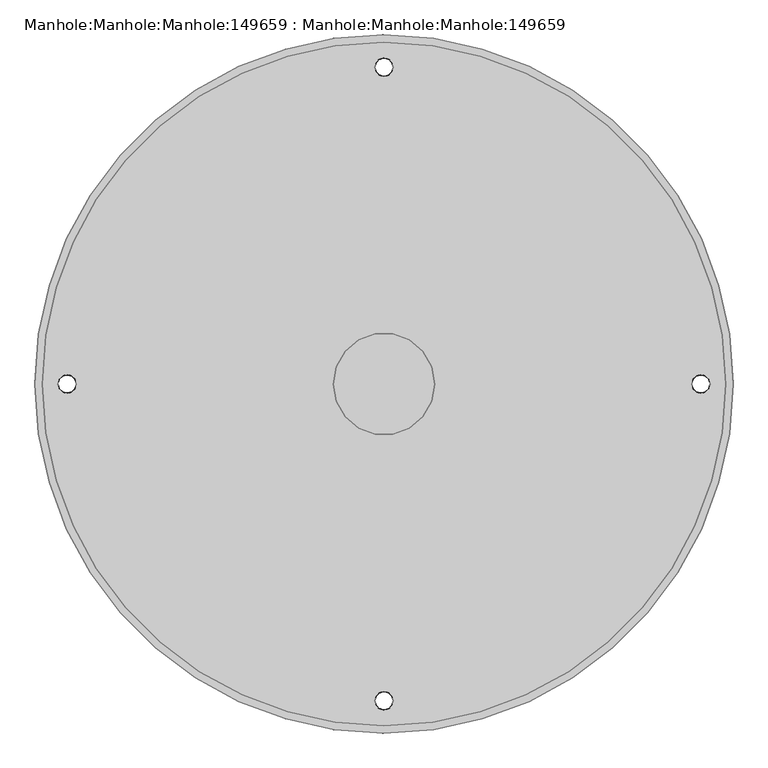
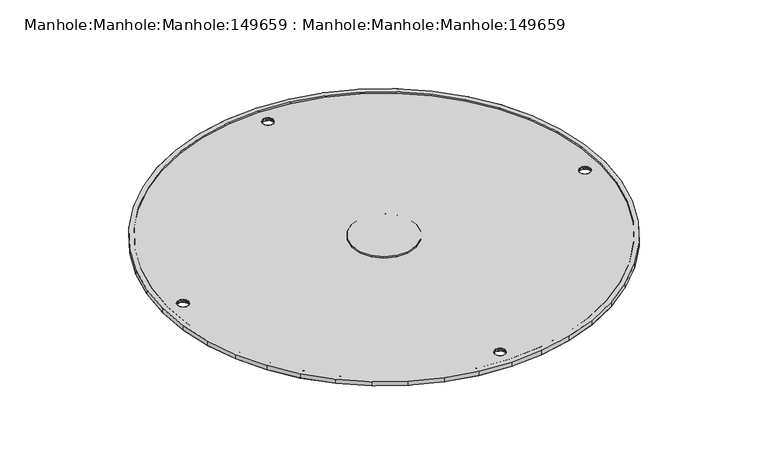
"""IFC4 building model written with IfcOpenShell, lengths in millimetres: proxy geometry, Manhole:Manhole:Manhole:149659 : Manhole:Manhole:Manhole:149659."""

from ifc_helpers import new_model, si_unit, origin, place, context, project, spatial, triangles, source, transform, mapped, element, save


def manhole_manhole_manhole_149659_manhole_manhole_manhole_e36a7c2d(model_context):
    return source(origin(), model_context, "Body", "Tessellation", [
        triangles([(-95945.9947266, 54192.9944458, 238508.344043), (-95952.198999, 54279.7519409, 238508.344043), (-95970.6908936, 54364.7421021, 238508.344043), (-96001.0797363, 54446.2348022, 238508.344043), (-96042.7702148, 54522.5696777, 238508.344043), (-96094.8879639, 54592.1979858, 238508.344043), (-96156.3911865, 54653.7012085, 238508.344043), (-96226.0241455, 54705.8236084, 238508.344043), (-96302.3543701, 54747.509436, 238508.344043), (-96383.8470703, 54777.9029297, 238508.344043), (-96468.8372314, 54796.3901733, 238508.344043), (-96555.5947266, 54802.5944458, 238508.344043), (-96642.3522217, 54796.3901733, 238508.344043), (-96727.3423828, 54777.9029297, 238508.344043), (-96808.835083, 54747.509436, 238508.344043), (-96885.1653076, 54705.8236084, 238508.344043), (-96954.7982666, 54653.7012085, 238508.344043), (-97016.3014893, 54592.1979858, 238508.344043), (-97068.4192383, 54522.5696777, 238508.344043), (-97110.1097168, 54446.2348022, 238508.344043), (-97140.4985596, 54364.7421021, 238508.344043), (-97158.9904541, 54279.7519409, 238508.344043), (-97165.1947266, 54192.9944458, 238508.344043), (-97158.9904541, 54106.2416016, 238508.344043), (-97140.4985596, 54021.2514404, 238508.344043), (-97110.1097168, 53939.7587402, 238508.344043), (-97068.4192383, 53863.4192139, 238508.344043), (-97016.3014893, 53793.7909058, 238508.344043), (-96954.7982666, 53732.292334, 238508.344043), (-96885.1653076, 53680.1699341, 238508.344043), (-96808.835083, 53638.4841064, 238508.344043), (-96727.3423828, 53608.0906128, 238508.344043), (-96642.3522217, 53589.5987183, 238508.344043), (-96555.5947266, 53583.3944458, 238508.344043), (-96468.8372314, 53589.5987183, 238508.344043), (-96383.8470703, 53608.0906128, 238508.344043), (-96302.3543701, 53638.4841064, 238508.344043), (-96226.0241455, 53680.1699341, 238508.344043), (-96156.3911865, 53732.292334, 238508.344043), (-96094.8879639, 53793.7909058, 238508.344043), (-96042.7702148, 53863.4192139, 238508.344043), (-96001.0797363, 53939.7587402, 238508.344043), (-95970.6908936, 54021.2514404, 238508.344043), (-95952.198999, 54106.2416016, 238508.344043), (-97152.4978271, 54192.9944458, 238508.344043), (-97146.4237793, 54277.942749, 238508.344043), (-97128.3132568, 54361.1609253, 238508.344043), (-97098.5569336, 54440.9560547, 238508.344043), (-97057.7408203, 54515.7049805, 238508.344043), (-97006.7020752, 54583.8822144, 238508.344043), (-96946.4824951, 54644.1017944, 238508.344043), (-96878.3006104, 54695.1405396, 238508.344043), (-96803.5516846, 54735.9566528, 238508.344043), (-96723.7612061, 54765.717627, 238508.344043), (-96640.5383789, 54783.8188477, 238508.344043), (-96555.5947266, 54789.8975464, 238508.344043), (-96470.6510742, 54783.8188477, 238508.344043), (-96387.4282471, 54765.717627, 238508.344043), (-96307.6377686, 54735.9566528, 238508.344043), (-96232.8888428, 54695.1405396, 238508.344043), (-96164.706958, 54644.1017944, 238508.344043), (-96104.4873779, 54583.8822144, 238508.344043), (-96053.4486328, 54515.7049805, 238508.344043), (-96012.6325195, 54440.9560547, 238508.344043), (-95982.8761963, 54361.1609253, 238508.344043), (-95964.7749756, 54277.942749, 238508.344043), (-95958.691626, 54192.9944458, 238508.344043), (-95964.7749756, 54108.0461426, 238508.344043), (-95982.8761963, 54024.8279663, 238508.344043), (-96012.6325195, 53945.0328369, 238508.344043), (-96053.4486328, 53870.288562, 238508.344043), (-96104.4873779, 53802.1113281, 238508.344043), (-96164.706958, 53741.8870972, 238508.344043), (-96232.8888428, 53690.8530029, 238508.344043), (-96307.6377686, 53650.0368896, 238508.344043), (-96387.4282471, 53620.2759155, 238508.344043), (-96470.6510742, 53602.1700439, 238508.344043), (-96555.5947266, 53596.0959961, 238508.344043), (-96640.5383789, 53602.1700439, 238508.344043), (-96723.7612061, 53620.2759155, 238508.344043), (-96803.5516846, 53650.0368896, 238508.344043), (-96878.3006104, 53690.8530029, 238508.344043), (-96946.4824951, 53741.8870972, 238508.344043), (-97006.7020752, 53802.1113281, 238508.344043), (-97057.7408203, 53870.288562, 238508.344043), (-97098.5569336, 53945.0328369, 238508.344043), (-97128.3132568, 54024.8279663, 238508.344043), (-97146.4237793, 54108.0461426, 238508.344043), (-96644.491626, 54192.9944458, 238508.344043), (-96639.1338135, 54162.5916504, 238508.344043), (-96623.6928955, 54135.8537476, 238508.344043), (-96600.0478271, 54116.0084473, 238508.344043), (-96571.0356445, 54105.4463013, 238508.344043), (-96540.1538086, 54105.4463013, 238508.344043), (-96511.141626, 54116.0084473, 238508.344043), (-96487.4965576, 54135.8537476, 238508.344043), (-96472.0556396, 54162.5916504, 238508.344043), (-96466.6978271, 54192.9944458, 238508.344043), (-96472.0556396, 54223.4018921, 238508.344043), (-96487.4965576, 54250.1397949, 238508.344043), (-96511.141626, 54269.9850952, 238508.344043), (-96540.1538086, 54280.5472412, 238508.344043), (-96571.0356445, 54280.5472412, 238508.344043), (-96600.0478271, 54269.9850952, 238508.344043), (-96623.6928955, 54250.1397949, 238508.344043), (-96639.1338135, 54223.4018921, 238508.344043), (-95945.9947266, 54192.9944458, 238495.6564453), (-95952.198999, 54106.2416016, 238495.6564453), (-95970.6908936, 54021.2514404, 238495.6564453), (-96001.0797363, 53939.7587402, 238495.6564453), (-96042.7702148, 53863.4192139, 238495.6564453), (-96094.8879639, 53793.7909058, 238495.6564453), (-96156.3911865, 53732.292334, 238495.6564453), (-96226.0241455, 53680.1699341, 238495.6564453), (-96302.3543701, 53638.4841064, 238495.6564453), (-96383.8470703, 53608.0906128, 238495.6564453), (-96468.8372314, 53589.5987183, 238495.6564453), (-96555.5947266, 53583.3944458, 238495.6564453), (-96642.3522217, 53589.5987183, 238495.6564453), (-96727.3423828, 53608.0906128, 238495.6564453), (-96808.835083, 53638.4841064, 238495.6564453), (-96885.1653076, 53680.1699341, 238495.6564453), (-96954.7982666, 53732.292334, 238495.6564453), (-97016.3014893, 53793.7909058, 238495.6564453), (-97068.4192383, 53863.4192139, 238495.6564453), (-97110.1097168, 53939.7587402, 238495.6564453), (-97140.4985596, 54021.2514404, 238495.6564453), (-97158.9904541, 54106.2416016, 238495.6564453), (-97165.1947266, 54192.9944458, 238495.6564453), (-97158.9904541, 54279.7519409, 238495.6564453), (-97140.4985596, 54364.7421021, 238495.6564453), (-97110.1097168, 54446.2348022, 238495.6564453), (-97068.4192383, 54522.5696777, 238495.6564453), (-97016.3014893, 54592.1979858, 238495.6564453), (-96954.7982666, 54653.7012085, 238495.6564453), (-96885.1653076, 54705.8236084, 238495.6564453), (-96808.835083, 54747.509436, 238495.6564453), (-96727.3423828, 54777.9029297, 238495.6564453), (-96642.3522217, 54796.3901733, 238495.6564453), (-96555.5947266, 54802.5944458, 238495.6564453), (-96468.8372314, 54796.3901733, 238495.6564453), (-96383.8470703, 54777.9029297, 238495.6564453), (-96302.3543701, 54747.509436, 238495.6564453), (-96226.0241455, 54705.8236084, 238495.6564453), (-96156.3911865, 54653.7012085, 238495.6564453), (-96094.8879639, 54592.1979858, 238495.6564453), (-96042.7702148, 54522.5696777, 238495.6564453), (-96001.0797363, 54446.2348022, 238495.6564453), (-95970.6908936, 54364.7421021, 238495.6564453), (-95952.198999, 54279.7519409, 238495.6564453), (-96539.5864014, 53639.6468262, 238495.6564453), (-96541.1677002, 53646.5952393, 238495.6564453), (-96545.6139404, 53652.1669922, 238495.6564453), (-96552.0321533, 53655.2598267, 238495.6564453), (-96559.1572998, 53655.2598267, 238495.6564453), (-96565.5755127, 53652.1669922, 238495.6564453), (-96570.0217529, 53646.5952393, 238495.6564453), (-96571.6030518, 53639.6468262, 238495.6564453), (-96570.0217529, 53632.703064, 238495.6564453), (-96565.5755127, 53627.131311, 238495.6564453), (-96559.1572998, 53624.0384766, 238495.6564453), (-96552.0321533, 53624.0384766, 238495.6564453), (-96545.6139404, 53627.131311, 238495.6564453), (-96541.1677002, 53632.703064, 238495.6564453), (-96539.5864014, 54746.3420654, 238495.6564453), (-96541.1677002, 54753.2904785, 238495.6564453), (-96545.6139404, 54758.8622314, 238495.6564453), (-96552.0321533, 54761.950415, 238495.6564453), (-96559.1572998, 54761.950415, 238495.6564453), (-96565.5755127, 54758.8622314, 238495.6564453), (-96570.0217529, 54753.2904785, 238495.6564453), (-96571.6030518, 54746.3420654, 238495.6564453), (-96570.0217529, 54739.3936523, 238495.6564453), (-96565.5755127, 54733.8265503, 238495.6564453), (-96559.1572998, 54730.7337158, 238495.6564453), (-96552.0321533, 54730.7337158, 238495.6564453), (-96545.6139404, 54733.8265503, 238495.6564453), (-96541.1677002, 54739.3936523, 238495.6564453), (-97092.9293701, 54192.9944458, 238495.6564453), (-97094.5199707, 54199.9428589, 238495.6564453), (-97098.9569092, 54205.5146118, 238495.6564453), (-97105.3751221, 54208.6027954, 238495.6564453), (-97112.5002686, 54208.6027954, 238495.6564453), (-97118.9277832, 54205.5146118, 238495.6564453), (-97123.3647217, 54199.9428589, 238495.6564453), (-97124.9553223, 54192.9944458, 238495.6564453), (-97123.3647217, 54186.0506836, 238495.6564453), (-97118.9277832, 54180.4789307, 238495.6564453), (-97112.5002686, 54177.3860962, 238495.6564453), (-97105.3751221, 54177.3860962, 238495.6564453), (-97098.9569092, 54180.4789307, 238495.6564453), (-97094.5199707, 54186.0506836, 238495.6564453), (-96018.260083, 54192.9944458, 238495.6564453), (-96016.6694824, 54186.0506836, 238495.6564453), (-96012.2325439, 54180.4789307, 238495.6564453), (-96005.8143311, 54177.3860962, 238495.6564453), (-95998.6891846, 54177.3860962, 238495.6564453), (-95992.2616699, 54180.4789307, 238495.6564453), (-95987.8247314, 54186.0506836, 238495.6564453), (-95986.2341309, 54192.9944458, 238495.6564453), (-95987.8247314, 54199.9428589, 238495.6564453), (-95992.2616699, 54205.5146118, 238495.6564453), (-95998.6891846, 54208.6027954, 238495.6564453), (-96005.8143311, 54208.6027954, 238495.6564453), (-96012.2325439, 54205.5146118, 238495.6564453), (-96016.6694824, 54199.9428589, 238495.6564453), (-96570.5333496, 53643.6512329, 238503.581543), (-96569.4636475, 53647.6556396, 238503.581543), (-96544.6558594, 53650.5856934, 238503.581543), (-96543.3908203, 53649.3811157, 238495.6564453), (-96567.7986328, 53649.3811157, 238495.6564453), (-96570.8124023, 53643.1210327, 238495.6564453), (-96571.6030518, 53639.6468262, 238503.581543), (-96540.6561035, 53643.6512329, 238503.581543), (-96540.3770508, 53643.1210327, 238495.6564453), (-96539.5864014, 53639.6468262, 238503.581543), (-96563.60354, 53653.5157471, 238503.581543), (-96566.5335938, 53650.5856934, 238503.581543), (-96555.5947266, 53655.6598022, 238503.581543), (-96555.5947266, 53655.2598267, 238495.6564453), (-96548.8230469, 53653.711084, 238495.6564453), (-96547.5859131, 53653.5157471, 238503.581543), (-96551.5949707, 53654.5854492, 238503.581543), (-96559.5944824, 53654.5854492, 238503.581543), (-96562.3664063, 53653.711084, 238495.6564453), (-96541.7258057, 53647.6556396, 238503.581543), (-96541.7258057, 53631.6426636, 238503.581543), (-96540.6561035, 53635.6470703, 238503.581543), (-96567.7986328, 53629.9171875, 238495.6564453), (-96566.5335938, 53628.7126099, 238503.581543), (-96543.3908203, 53629.9171875, 238495.6564453), (-96540.3770508, 53636.1772705, 238495.6564453), (-96570.8124023, 53636.1772705, 238495.6564453), (-96570.5333496, 53635.6470703, 238503.581543), (-96544.6558594, 53628.7126099, 238503.581543), (-96547.5859131, 53625.7825562, 238503.581543), (-96555.5947266, 53624.0384766, 238495.6564453), (-96555.5947266, 53623.638501, 238503.581543), (-96563.60354, 53625.7825562, 238503.581543), (-96562.3664063, 53625.5872192, 238495.6564453), (-96559.5944824, 53624.712854, 238503.581543), (-96551.5949707, 53624.712854, 238503.581543), (-96548.8230469, 53625.5872192, 238495.6564453), (-96569.4636475, 53631.6426636, 238503.581543), (-96569.4636475, 54754.346228, 238503.581543), (-96570.5333496, 54750.3464722, 238503.581543), (-96543.3908203, 54756.076355, 238495.6564453), (-96544.6558594, 54757.2762817, 238503.581543), (-96567.7986328, 54756.076355, 238495.6564453), (-96571.6030518, 54746.3420654, 238503.581543), (-96570.8124023, 54749.816272, 238495.6564453), (-96539.5864014, 54746.3420654, 238503.581543), (-96540.3770508, 54749.816272, 238495.6564453), (-96540.6561035, 54750.3464722, 238503.581543), (-96566.5335938, 54757.2762817, 238503.581543), (-96563.60354, 54760.2063354, 238503.581543), (-96555.5947266, 54761.950415, 238495.6564453), (-96555.5947266, 54762.3550415, 238503.581543), (-96547.5859131, 54760.2063354, 238503.581543), (-96548.8230469, 54760.4063232, 238495.6564453), (-96551.5949707, 54761.2806885, 238503.581543), (-96559.5944824, 54761.2806885, 238503.581543), (-96562.3664063, 54760.4063232, 238495.6564453), (-96541.7258057, 54754.346228, 238503.581543), (-96540.6561035, 54742.3376587, 238503.581543), (-96541.7258057, 54738.3379028, 238503.581543), (-96566.5335938, 54735.4078491, 238503.581543), (-96567.7986328, 54736.6124268, 238495.6564453), (-96543.3908203, 54736.6124268, 238495.6564453), (-96540.3770508, 54742.8678589, 238495.6564453), (-96570.5333496, 54742.3376587, 238503.581543), (-96570.8124023, 54742.8678589, 238495.6564453), (-96547.5859131, 54732.4777954, 238503.581543), (-96544.6558594, 54735.4078491, 238503.581543), (-96555.5947266, 54730.3337402, 238503.581543), (-96555.5947266, 54730.7337158, 238495.6564453), (-96562.3664063, 54732.2778076, 238495.6564453), (-96563.60354, 54732.4777954, 238503.581543), (-96559.5944824, 54731.4034424, 238503.581543), (-96551.5949707, 54731.4034424, 238503.581543), (-96548.8230469, 54732.2778076, 238495.6564453), (-96569.4636475, 54738.3379028, 238503.581543), (-97122.8066162, 54201.0032593, 238503.581543), (-97123.8763184, 54196.9988525, 238503.581543), (-97098.0081299, 54203.933313, 238503.581543), (-97096.7337891, 54202.7287354, 238495.6564453), (-97121.1416016, 54202.7287354, 238495.6564453), (-97124.9553223, 54192.9944458, 238503.581543), (-97124.1553711, 54196.4686523, 238495.6564453), (-97093.9990723, 54196.9988525, 238503.581543), (-97093.7200195, 54196.4686523, 238495.6564453), (-97092.9293701, 54192.9944458, 238503.581543), (-97119.8765625, 54203.933313, 238503.581543), (-97116.9465088, 54206.8633667, 238503.581543), (-97108.9376953, 54208.6027954, 238495.6564453), (-97108.9376953, 54209.0074219, 238503.581543), (-97102.1660156, 54207.0587036, 238495.6564453), (-97100.9381836, 54206.8633667, 238503.581543), (-97104.9379395, 54207.9330688, 238503.581543), (-97112.9467529, 54207.9330688, 238503.581543), (-97115.7186768, 54207.0587036, 238495.6564453), (-97095.0780762, 54201.0032593, 238503.581543), (-97093.9990723, 54188.9946899, 238503.581543), (-97095.0780762, 54184.9902832, 238503.581543), (-97121.1416016, 54183.2648071, 238495.6564453), (-97119.8765625, 54182.0602295, 238503.581543), (-97096.7337891, 54183.2648071, 238495.6564453), (-97093.7200195, 54189.5202393, 238495.6564453), (-97124.1553711, 54189.5202393, 238495.6564453), (-97123.8763184, 54188.9946899, 238503.581543), (-97100.9381836, 54179.1301758, 238503.581543), (-97098.0081299, 54182.0602295, 238503.581543), (-97108.9376953, 54177.3860962, 238495.6564453), (-97108.9376953, 54176.9861206, 238503.581543), (-97116.9465088, 54179.1301758, 238503.581543), (-97115.7186768, 54178.930188, 238495.6564453), (-97112.9467529, 54178.0558228, 238503.581543), (-97104.9379395, 54178.0558228, 238503.581543), (-97102.1660156, 54178.930188, 238495.6564453), (-97122.8066162, 54184.9902832, 238503.581543), (-95988.3828369, 54184.9902832, 238503.581543), (-95987.3131348, 54188.9946899, 238503.581543), (-96013.1813232, 54182.0602295, 238503.581543), (-96014.4556641, 54183.2648071, 238495.6564453), (-95990.0478516, 54183.2648071, 238495.6564453), (-95986.2341309, 54192.9944458, 238503.581543), (-95987.034082, 54189.5202393, 238495.6564453), (-96017.1903809, 54188.9946899, 238503.581543), (-96017.4694336, 54189.5202393, 238495.6564453), (-96018.260083, 54192.9944458, 238503.581543), (-95991.3128906, 54182.0602295, 238503.581543), (-95994.2429443, 54179.1301758, 238503.581543), (-96002.2517578, 54177.3860962, 238495.6564453), (-96002.2517578, 54176.9861206, 238503.581543), (-96009.0234375, 54178.930188, 238495.6564453), (-96010.2512695, 54179.1301758, 238503.581543), (-96006.2515137, 54178.0558228, 238503.581543), (-95998.2427002, 54178.0558228, 238503.581543), (-95995.4800781, 54178.930188, 238495.6564453), (-96016.111377, 54184.9902832, 238503.581543), (-96017.1903809, 54196.9988525, 238503.581543), (-96016.111377, 54201.0032593, 238503.581543), (-95990.0478516, 54202.7287354, 238495.6564453), (-95991.3128906, 54203.933313, 238503.581543), (-96014.4556641, 54202.7287354, 238495.6564453), (-96017.4694336, 54196.4686523, 238495.6564453), (-95987.034082, 54196.4686523, 238495.6564453), (-95987.3131348, 54196.9988525, 238503.581543), (-96010.2512695, 54206.8633667, 238503.581543), (-96013.1813232, 54203.933313, 238503.581543), (-96002.2517578, 54208.6027954, 238495.6564453), (-96002.2517578, 54209.0074219, 238503.581543), (-95994.2429443, 54206.8633667, 238503.581543), (-95995.4800781, 54207.0587036, 238495.6564453), (-95998.2427002, 54207.9330688, 238503.581543), (-96006.2515137, 54207.9330688, 238503.581543), (-96009.0234375, 54207.0587036, 238495.6564453), (-95988.3828369, 54201.0032593, 238503.581543), (-95958.691626, 54192.9944458, 238503.581543), (-95964.7749756, 54277.942749, 238503.581543), (-95982.8761963, 54361.1609253, 238503.581543), (-96012.6325195, 54440.9560547, 238503.581543), (-96053.4486328, 54515.7049805, 238503.581543), (-96104.4873779, 54583.8822144, 238503.581543), (-96164.706958, 54644.1017944, 238503.581543), (-96232.8888428, 54695.1405396, 238503.581543), (-96307.6377686, 54735.9566528, 238503.581543), (-96387.4282471, 54765.717627, 238503.581543), (-96470.6510742, 54783.8188477, 238503.581543), (-96555.5947266, 54789.8975464, 238503.581543), (-96640.5383789, 54783.8188477, 238503.581543), (-96723.7612061, 54765.717627, 238503.581543), (-96803.5516846, 54735.9566528, 238503.581543), (-96878.3006104, 54695.1405396, 238503.581543), (-96946.4824951, 54644.1017944, 238503.581543), (-97006.7020752, 54583.8822144, 238503.581543), (-97057.7408203, 54515.7049805, 238503.581543), (-97098.5569336, 54440.9560547, 238503.581543), (-97128.3132568, 54361.1609253, 238503.581543), (-97146.4237793, 54277.942749, 238503.581543), (-97152.4978271, 54192.9944458, 238503.581543), (-97146.4237793, 54108.0461426, 238503.581543), (-97128.3132568, 54024.8279663, 238503.581543), (-97098.5569336, 53945.0328369, 238503.581543), (-97057.7408203, 53870.288562, 238503.581543), (-97006.7020752, 53802.1113281, 238503.581543), (-96946.4824951, 53741.8870972, 238503.581543), (-96878.3006104, 53690.8530029, 238503.581543), (-96803.5516846, 53650.0368896, 238503.581543), (-96723.7612061, 53620.2759155, 238503.581543), (-96640.5383789, 53602.1700439, 238503.581543), (-96555.5947266, 53596.0959961, 238503.581543), (-96470.6510742, 53602.1700439, 238503.581543), (-96387.4282471, 53620.2759155, 238503.581543), (-96307.6377686, 53650.0368896, 238503.581543), (-96232.8888428, 53690.8530029, 238503.581543), (-96164.706958, 53741.8870972, 238503.581543), (-96104.4873779, 53802.1113281, 238503.581543), (-96053.4486328, 53870.288562, 238503.581543), (-96012.6325195, 53945.0328369, 238503.581543), (-95982.8761963, 54024.8279663, 238503.581543), (-95964.7749756, 54108.0461426, 238503.581543), (-96466.6978271, 54192.9944458, 238503.581543), (-96472.0556396, 54162.5916504, 238503.581543), (-96487.4965576, 54135.8537476, 238503.581543), (-96511.141626, 54116.0084473, 238503.581543), (-96540.1538086, 54105.4463013, 238503.581543), (-96571.0356445, 54105.4463013, 238503.581543), (-96600.0478271, 54116.0084473, 238503.581543), (-96623.6928955, 54135.8537476, 238503.581543), (-96639.1338135, 54162.5916504, 238503.581543), (-96644.491626, 54192.9944458, 238503.581543), (-96639.1338135, 54223.4018921, 238503.581543), (-96623.6928955, 54250.1397949, 238503.581543), (-96600.0478271, 54269.9850952, 238503.581543), (-96571.0356445, 54280.5472412, 238503.581543), (-96540.1538086, 54280.5472412, 238503.581543), (-96511.141626, 54269.9850952, 238503.581543), (-96487.4965576, 54250.1397949, 238503.581543), (-96472.0556396, 54223.4018921, 238503.581543)], [[38, 74, 75], [74, 38, 39], [39, 40, 73], [39, 73, 74], [35, 36, 77], [77, 36, 76], [35, 77, 78], [76, 37, 75], [37, 76, 36], [75, 37, 38], [73, 40, 72], [43, 44, 68], [44, 67, 68], [67, 44, 1], [67, 1, 66], [43, 68, 69], [72, 41, 71], [41, 72, 40], [71, 41, 42], [42, 69, 70], [69, 42, 43], [42, 70, 71], [33, 34, 79], [79, 80, 33], [78, 79, 34], [34, 35, 78], [33, 80, 32], [32, 81, 31], [81, 32, 80], [31, 81, 82], [29, 30, 83], [82, 30, 31], [82, 83, 30], [84, 29, 83], [29, 84, 28], [85, 27, 28], [27, 85, 86], [85, 28, 84], [25, 26, 87], [86, 26, 27], [87, 26, 86], [88, 24, 25], [24, 88, 45], [88, 25, 87], [66, 2, 65], [2, 66, 1], [64, 65, 3], [3, 65, 2], [64, 3, 4], [4, 63, 64], [63, 4, 5], [63, 5, 62], [62, 6, 61], [6, 62, 5], [61, 6, 7], [60, 7, 8], [8, 9, 59], [59, 9, 58], [8, 59, 60], [58, 10, 57], [10, 58, 9], [57, 10, 11], [56, 11, 12], [11, 56, 57], [56, 12, 55], [60, 61, 7], [48, 20, 21], [20, 48, 19], [19, 49, 18], [18, 49, 50], [49, 19, 48], [45, 46, 23], [23, 46, 22], [45, 23, 24], [22, 47, 21], [47, 22, 46], [21, 47, 48], [53, 54, 14], [13, 14, 54], [13, 55, 12], [13, 54, 55], [53, 14, 15], [50, 17, 18], [50, 51, 17], [17, 51, 16], [52, 15, 16], [15, 52, 53], [52, 16, 51], [104, 105, 106], [106, 89, 104], [101, 104, 98], [103, 104, 102], [101, 99, 100], [102, 104, 101], [101, 98, 99], [98, 104, 89], [90, 91, 93], [92, 93, 91], [95, 89, 93], [97, 98, 95], [97, 95, 96], [89, 95, 98], [93, 94, 95], [93, 89, 90], [148, 206, 147], [149, 205, 148], [150, 203, 204], [203, 150, 202], [149, 150, 205], [146, 147, 206], [142, 143, 177], [143, 144, 177], [176, 145, 146], [144, 145, 176], [178, 141, 142], [204, 205, 150], [202, 107, 201], [107, 202, 150], [201, 107, 200], [199, 200, 107], [198, 199, 107], [198, 108, 197], [206, 176, 146], [205, 206, 148], [196, 197, 108], [154, 193, 194], [194, 195, 110], [176, 206, 193], [198, 107, 108], [193, 179, 175], [140, 167, 168], [140, 141, 167], [140, 168, 169], [165, 166, 141], [178, 165, 141], [141, 166, 167], [173, 138, 139], [170, 140, 169], [139, 140, 170], [171, 172, 139], [170, 171, 139], [172, 173, 139], [174, 137, 138], [174, 136, 137], [176, 193, 175], [136, 174, 175], [144, 176, 177], [174, 138, 173], [175, 134, 135], [135, 136, 175], [133, 134, 180], [133, 180, 132], [132, 181, 131], [131, 181, 130], [175, 180, 134], [178, 142, 177], [195, 196, 108], [195, 109, 110], [194, 110, 111], [194, 112, 154], [111, 112, 194], [112, 113, 154], [154, 114, 153], [153, 114, 115], [155, 193, 154], [193, 155, 179], [153, 115, 116], [154, 113, 114], [122, 155, 156], [151, 152, 117], [164, 151, 117], [164, 117, 163], [117, 152, 116], [163, 117, 118], [152, 153, 116], [158, 159, 119], [157, 158, 119], [162, 118, 161], [118, 162, 163], [160, 161, 118], [160, 119, 159], [119, 160, 118], [156, 157, 120], [182, 130, 181], [181, 132, 180], [179, 155, 192], [191, 192, 126], [179, 180, 175], [184, 185, 129], [184, 129, 130], [186, 187, 129], [188, 129, 187], [186, 129, 185], [184, 130, 183], [182, 183, 130], [123, 124, 155], [192, 155, 124], [121, 122, 156], [123, 155, 122], [125, 192, 124], [189, 190, 128], [188, 189, 128], [128, 191, 127], [190, 191, 128], [126, 127, 191], [125, 126, 192], [188, 128, 129], [156, 120, 121], [119, 120, 157], [195, 108, 109], [27, 26, 126], [126, 125, 27], [26, 25, 127], [127, 126, 26], [28, 27, 125], [125, 124, 28], [32, 31, 121], [121, 120, 32], [33, 32, 120], [120, 119, 33], [30, 29, 123], [123, 122, 30], [31, 30, 122], [122, 121, 31], [29, 28, 124], [124, 123, 29], [34, 33, 118], [119, 118, 33], [127, 25, 128], [24, 128, 25], [128, 24, 129], [23, 129, 24], [38, 37, 115], [115, 114, 38], [36, 35, 117], [117, 116, 36], [37, 36, 116], [116, 115, 37], [39, 38, 114], [114, 113, 39], [43, 42, 110], [110, 109, 43], [44, 43, 108], [109, 108, 43], [41, 40, 111], [112, 111, 40], [42, 41, 111], [111, 110, 42], [40, 39, 113], [113, 112, 40], [1, 44, 107], [108, 107, 44], [118, 117, 35], [35, 34, 118], [1, 107, 2], [150, 2, 107], [3, 149, 4], [148, 4, 149], [2, 150, 149], [149, 3, 2], [4, 148, 5], [147, 5, 148], [11, 10, 142], [142, 141, 11], [6, 146, 145], [145, 7, 6], [12, 11, 141], [141, 140, 12], [5, 147, 6], [146, 6, 147], [7, 145, 8], [144, 8, 145], [144, 143, 9], [9, 8, 144], [10, 9, 143], [143, 142, 10], [16, 15, 137], [137, 136, 16], [14, 13, 139], [139, 138, 14], [15, 14, 138], [138, 137, 15], [17, 16, 136], [136, 135, 17], [21, 20, 132], [132, 131, 21], [22, 21, 130], [131, 130, 21], [19, 18, 134], [134, 133, 19], [20, 19, 133], [133, 132, 20], [18, 17, 135], [135, 134, 18], [23, 22, 129], [130, 129, 22], [140, 139, 13], [13, 12, 140], [207, 157, 208], [209, 153, 210], [208, 157, 211], [158, 212, 213], [214, 215, 216], [156, 217, 218], [154, 219, 220], [155, 220, 219], [221, 153, 222], [211, 218, 208], [212, 157, 207], [212, 207, 213], [222, 223, 221], [155, 219, 224], [214, 152, 215], [217, 225, 224], [211, 156, 218], [209, 222, 153], [221, 223, 154], [155, 224, 225], [209, 210, 226], [214, 226, 152], [223, 219, 154], [151, 216, 215], [152, 226, 210], [217, 156, 225], [227, 164, 228], [229, 160, 230], [231, 164, 227], [216, 232, 151], [213, 233, 234], [235, 236, 163], [161, 237, 238], [162, 238, 237], [239, 160, 240], [227, 235, 231], [228, 164, 232], [216, 228, 232], [240, 241, 239], [242, 238, 162], [233, 159, 234], [242, 243, 236], [235, 163, 231], [160, 239, 230], [161, 241, 240], [243, 242, 162], [244, 229, 230], [159, 244, 234], [161, 238, 241], [233, 213, 158], [229, 244, 159], [243, 163, 236], [245, 171, 246], [247, 167, 248], [249, 171, 245], [250, 251, 172], [252, 253, 254], [255, 256, 170], [258, 168, 257], [257, 169, 258], [259, 167, 260], [245, 255, 249], [246, 171, 251], [250, 246, 251], [260, 261, 259], [262, 258, 169], [253, 166, 254], [262, 263, 256], [255, 170, 249], [167, 259, 248], [168, 261, 260], [263, 262, 169], [264, 247, 248], [166, 264, 254], [168, 258, 261], [253, 252, 165], [247, 264, 166], [263, 170, 256], [265, 178, 266], [267, 174, 268], [266, 178, 269], [165, 270, 252], [271, 272, 250], [177, 273, 274], [175, 275, 276], [176, 276, 275], [277, 174, 278], [269, 274, 266], [270, 178, 265], [270, 265, 252], [278, 279, 277], [176, 275, 280], [271, 173, 272], [273, 281, 280], [269, 177, 274], [267, 278, 174], [277, 279, 175], [176, 280, 281], [267, 268, 282], [271, 282, 173], [279, 275, 175], [172, 250, 272], [173, 282, 268], [273, 177, 281], [283, 185, 284], [285, 181, 286], [287, 185, 283], [288, 289, 186], [290, 291, 292], [293, 294, 184], [182, 295, 296], [183, 296, 295], [297, 181, 298], [283, 293, 287], [284, 185, 289], [288, 284, 289], [298, 299, 297], [300, 296, 183], [290, 180, 291], [300, 301, 294], [293, 184, 287], [285, 298, 181], [297, 299, 182], [301, 300, 183], [285, 286, 302], [290, 302, 180], [299, 296, 182], [291, 179, 292], [180, 302, 286], [301, 184, 294], [303, 192, 304], [305, 188, 306], [304, 192, 307], [179, 308, 292], [288, 309, 310], [191, 311, 312], [189, 313, 314], [190, 314, 313], [315, 188, 316], [307, 312, 304], [308, 192, 303], [308, 303, 292], [316, 317, 315], [190, 314, 318], [309, 187, 310], [311, 319, 318], [307, 191, 312], [188, 315, 306], [189, 317, 316], [190, 318, 319], [320, 305, 306], [187, 320, 310], [189, 314, 317], [309, 288, 186], [305, 320, 187], [311, 191, 319], [321, 199, 322], [323, 195, 324], [325, 199, 321], [326, 327, 200], [328, 329, 330], [331, 332, 198], [196, 333, 334], [197, 334, 333], [335, 195, 336], [321, 331, 325], [322, 199, 327], [326, 322, 327], [336, 337, 335], [338, 334, 197], [328, 194, 329], [338, 339, 332], [331, 198, 325], [323, 336, 195], [335, 337, 196], [339, 338, 197], [323, 324, 340], [328, 340, 194], [337, 334, 196], [193, 330, 329], [194, 340, 324], [339, 198, 332], [341, 206, 342], [343, 202, 344], [342, 206, 345], [330, 193, 346], [326, 347, 348], [205, 349, 350], [203, 351, 352], [204, 352, 351], [353, 202, 354], [345, 350, 342], [346, 206, 341], [346, 341, 330], [354, 355, 353], [204, 352, 356], [347, 201, 348], [349, 357, 356], [345, 205, 350], [202, 353, 344], [203, 355, 354], [204, 356, 357], [358, 343, 344], [201, 358, 348], [203, 352, 355], [347, 326, 200], [343, 358, 201], [349, 205, 357], [399, 405, 398], [399, 404, 405], [336, 401, 402], [334, 402, 332], [400, 401, 340], [399, 400, 404], [394, 226, 393], [395, 222, 394], [396, 397, 406], [405, 406, 397], [397, 398, 405], [396, 406, 395], [406, 222, 395], [334, 336, 402], [332, 359, 321], [359, 332, 402], [321, 359, 326], [358, 326, 359], [352, 353, 360], [358, 359, 353], [359, 360, 353], [340, 330, 404], [340, 404, 400], [420, 330, 342], [404, 330, 403], [361, 342, 349], [420, 403, 330], [401, 336, 340], [349, 352, 360], [392, 236, 238], [236, 392, 227], [392, 238, 239], [216, 393, 226], [394, 222, 226], [216, 227, 393], [392, 393, 227], [390, 391, 208], [244, 392, 239], [391, 392, 244], [208, 217, 390], [244, 213, 391], [208, 391, 213], [390, 217, 389], [217, 409, 389], [407, 219, 222], [408, 219, 407], [217, 219, 408], [409, 217, 408], [387, 409, 410], [389, 409, 388], [385, 410, 411], [409, 387, 388], [410, 386, 387], [386, 410, 385], [304, 383, 384], [384, 385, 411], [382, 383, 311], [411, 304, 384], [407, 222, 406], [342, 361, 362], [420, 342, 362], [419, 363, 364], [420, 362, 363], [364, 365, 419], [420, 363, 419], [419, 365, 418], [418, 273, 417], [416, 417, 275], [275, 417, 273], [418, 367, 273], [367, 418, 366], [366, 418, 365], [266, 273, 368], [252, 266, 369], [369, 264, 252], [370, 259, 264], [264, 369, 370], [369, 266, 368], [273, 367, 368], [372, 278, 282], [416, 275, 278], [258, 370, 256], [370, 258, 259], [245, 256, 370], [370, 371, 245], [250, 245, 371], [371, 282, 250], [304, 311, 383], [411, 292, 304], [311, 314, 382], [413, 292, 412], [292, 413, 302], [379, 298, 302], [315, 320, 381], [314, 315, 382], [283, 294, 381], [288, 381, 320], [381, 288, 283], [294, 380, 381], [315, 381, 382], [378, 302, 413], [412, 292, 411], [416, 278, 415], [375, 414, 415], [415, 278, 373], [374, 415, 373], [372, 373, 278], [282, 371, 372], [375, 415, 374], [298, 380, 296], [298, 379, 380], [296, 380, 294], [377, 378, 413], [378, 379, 302], [414, 376, 377], [414, 375, 376], [413, 414, 377], [349, 360, 361], [413, 412, 106], [89, 106, 412], [415, 414, 105], [105, 104, 415], [414, 413, 106], [106, 105, 414], [416, 415, 104], [104, 103, 416], [417, 416, 103], [103, 102, 417], [418, 417, 102], [102, 101, 418], [420, 419, 100], [100, 99, 420], [419, 418, 101], [101, 100, 419], [403, 420, 98], [99, 98, 420], [404, 403, 97], [98, 97, 403], [406, 405, 96], [96, 95, 406], [405, 404, 97], [97, 96, 405], [407, 406, 95], [95, 94, 407], [408, 407, 94], [94, 93, 408], [409, 408, 93], [93, 92, 409], [411, 410, 91], [91, 90, 411], [410, 409, 92], [92, 91, 410], [412, 411, 89], [90, 89, 411], [87, 88, 383], [382, 383, 88], [384, 86, 87], [87, 383, 384], [88, 45, 382], [381, 382, 45], [385, 85, 86], [86, 384, 385], [387, 83, 84], [84, 386, 387], [386, 84, 85], [85, 385, 386], [391, 79, 390], [80, 390, 79], [390, 80, 81], [81, 389, 390], [389, 81, 82], [82, 388, 389], [388, 82, 83], [83, 387, 388], [79, 391, 392], [392, 78, 79], [394, 76, 77], [77, 393, 394], [397, 73, 74], [74, 396, 397], [396, 74, 75], [75, 395, 396], [395, 75, 76], [76, 394, 395], [400, 70, 71], [71, 399, 400], [399, 71, 72], [72, 398, 399], [359, 67, 68], [68, 402, 359], [402, 68, 69], [69, 401, 402], [401, 69, 70], [70, 400, 401], [398, 72, 397], [73, 397, 72], [78, 392, 393], [393, 77, 78], [62, 63, 363], [363, 364, 62], [64, 65, 361], [361, 362, 64], [65, 66, 360], [360, 361, 65], [63, 64, 362], [362, 363, 63], [59, 60, 366], [366, 367, 59], [60, 61, 365], [365, 366, 60], [369, 57, 58], [58, 368, 369], [368, 58, 367], [59, 367, 58], [61, 62, 364], [364, 365, 61], [370, 56, 369], [57, 369, 56], [359, 360, 66], [66, 67, 359], [372, 54, 55], [55, 371, 372], [375, 51, 52], [52, 374, 375], [374, 52, 53], [53, 373, 374], [373, 53, 54], [54, 372, 373], [378, 48, 377], [49, 377, 48], [377, 49, 50], [50, 376, 377], [381, 45, 46], [46, 380, 381], [380, 46, 47], [47, 379, 380], [379, 47, 48], [48, 378, 379], [376, 50, 51], [51, 375, 376], [56, 370, 55], [371, 55, 370]], closed=False),
    ])


if __name__ == "__main__":
    model = new_model("IFC4")
    model_context = context("Model", 3, world=origin())
    ifc_project = project(units=[si_unit("LENGTHUNIT", "METRE", prefix="MILLI")], contexts=[model_context])
    site = spatial("IfcSite", under=ifc_project)
    building = spatial("IfcBuilding", under=site)
    placement = place(None, origin())
    manhole_manhole_manhole_149659_manhole_manhole_manhole_shape = manhole_manhole_manhole_149659_manhole_manhole_manhole_e36a7c2d(model_context)
    element("IfcBuildingElementProxy", 1, Name="Manhole:Manhole:Manhole:149659 : Manhole:Manhole:Manhole:149659", ObjectType="Manhole:Manhole:Manhole:149659 : Manhole:Manhole:Manhole:149659", at=placement, inside=building, context=model_context, shape_type="MappedRepresentation", body=[
        mapped(manhole_manhole_manhole_149659_manhole_manhole_manhole_shape, transform((0.0, 0.0, 0.0), x_axis=(1.0, 0.0, 0.0), y_axis=(0.0, 1.0, 0.0), z_axis=(0.0, 0.0, 1.0))),
    ])
    save(model, "model.ifc")
